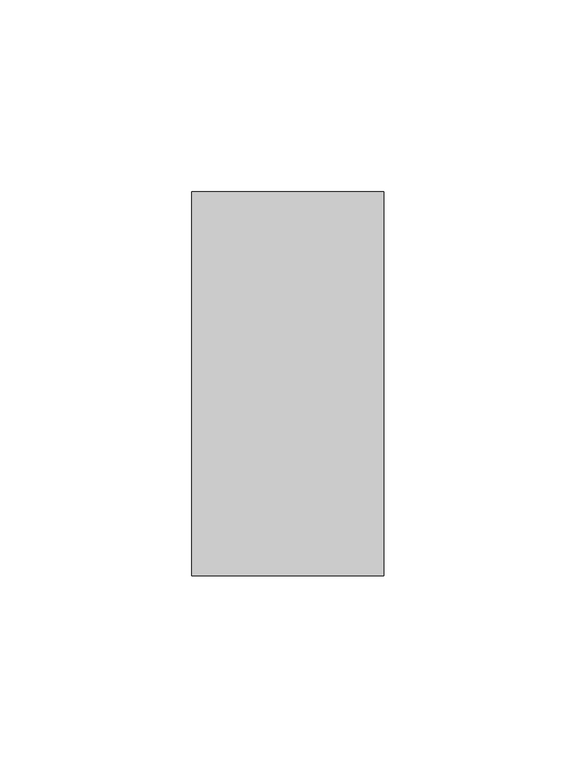
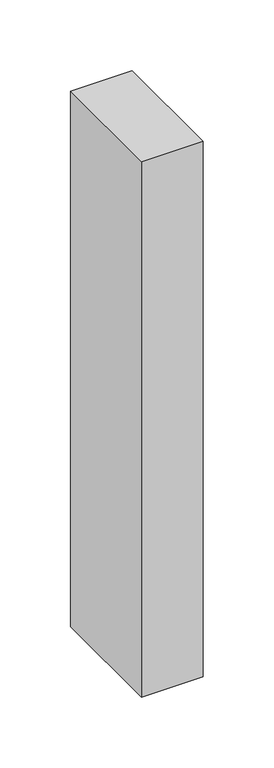
"""IFC4 building model written with IfcOpenShell, lengths in millimetres: member geometry."""

from ifc_helpers import new_model, si_unit, frame, origin, place, context, project, spatial, polyline, outline, extrude, source, transform, mapped, element, save


def member_eaf8bbe4(model_context):
    return source(origin(), model_context, "Body", "SweptSolid", [
        extrude(outline(polyline([(25.0, 50.0), (25.0, -50.0), (-25.0, -50.0), (-25.0, 50.0), (25.0, 50.0)])), frame((0.0, 0.0, -461.0), z_axis=(0.0, 0.0, 1.0), x_axis=(1.0, 0.0, 0.0)), (0.0, 0.0, 1.0), 461.0),
    ])


if __name__ == "__main__":
    model = new_model("IFC4")
    model_context = context("Model", 3, world=origin())
    ifc_project = project(units=[si_unit("LENGTHUNIT", "METRE", prefix="MILLI")], contexts=[model_context])
    site = spatial("IfcSite", under=ifc_project)
    building = spatial("IfcBuilding", under=site)
    placement = place(None, origin())
    member_shape = member_eaf8bbe4(model_context)
    element("IfcMember", 1, at=placement, inside=building, context=model_context, shape_type="MappedRepresentation", body=[
        mapped(member_shape, transform((0.0, 0.0, 0.0), x_axis=(1.0, 0.0, 0.0), y_axis=(0.0, 1.0, 0.0), z_axis=(0.0, 0.0, 1.0))),
    ])
    save(model, "model.ifc")
